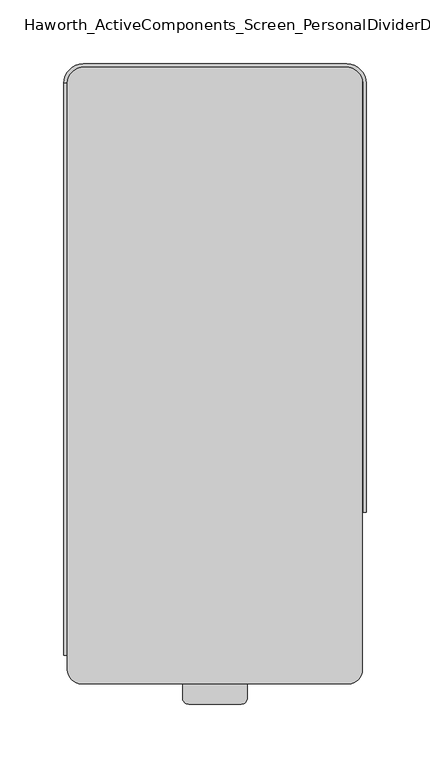
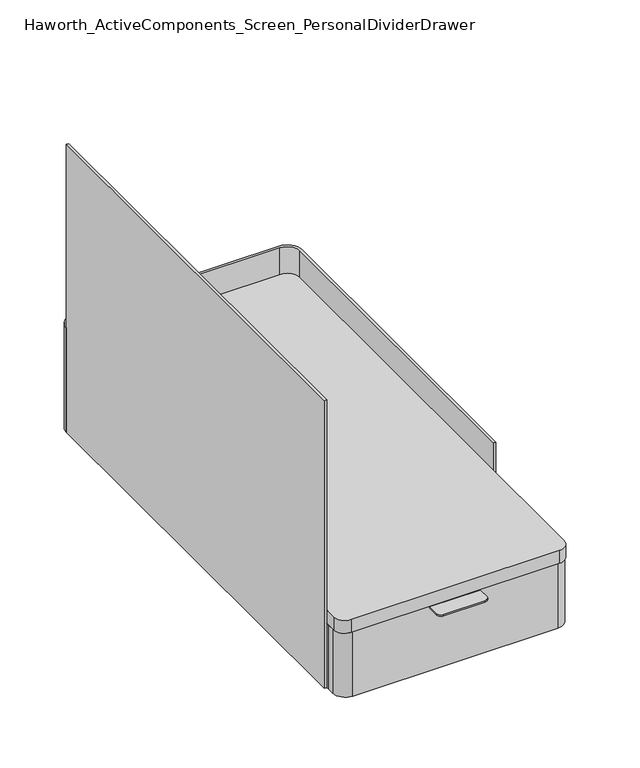
"""IFC4 building model written with IfcOpenShell, lengths in millimetres: furniture geometry, Haworth_ActiveComponents_Screen_PersonalDividerDrawer."""

import ifcopenshell
import ifcopenshell.guid

model = None  # the IFC model being written
_history = None  # IfcOwnerHistory: only IFC2X3 demands one
_inside = {}  # id of a spatial element -> (the spatial element, [elements in it])
_under = {}  # id of a project, library or spatial element -> (it, [spatial elements below it])
_declared = {}  # id of a project -> (the project, [libraries it declares])
_typed = {}  # id of a type object -> (the type object, [elements of that type])
_made_of = {}  # id of a material, layer set ... -> (it, [elements and type objects made of it])


def new_model(schema):
    """Start an empty IFC model of exactly this schema.

    Asked for "IFC4X3", IfcOpenShell would pick the latest addendum, in which some entities
    have other attributes; the version numbers below select the first issue.
    IFC2X3 requires an IfcOwnerHistory on every rooted entity: one is made here for all.
    """
    global model, _history
    if schema == "IFC4X3":
        model = ifcopenshell.file(schema_version=(4, 3, 0, 0))
    else:
        model = ifcopenshell.file(schema=schema)
    _inside.clear()
    _under.clear()
    _declared.clear()
    _typed.clear()
    _made_of.clear()
    _history = None
    if model.schema == "IFC2X3":
        org = make("IfcOrganization", Name="unknown")
        user = make(
            "IfcPersonAndOrganization",
            ThePerson=make("IfcPerson", FamilyName="unknown"),
            TheOrganization=org,
        )
        app = make(
            "IfcApplication",
            ApplicationDeveloper=org,
            Version="unknown",
            ApplicationFullName="unknown",
            ApplicationIdentifier="unknown",
        )
        _history = make(
            "IfcOwnerHistory",
            OwningUser=user,
            OwningApplication=app,
            ChangeAction="ADDED",
            CreationDate=0,
        )
    return model


def make(cls, **values):
    """One entity of the class cls with the attributes given. An attribute that is None is left unset."""
    return model.create_entity(
        cls, **{name: value for name, value in values.items() if value is not None}
    )


def rooted(cls, **values):
    """An entity with a GlobalId (a new one), such as an element, a storey or a relation."""
    return make(cls, GlobalId=ifcopenshell.guid.new(), OwnerHistory=_history, **values)


def si_unit(unit_type, name, prefix=None):
    """IfcSIUnit, for example si_unit("LENGTHUNIT", "METRE", prefix="MILLI")."""
    return make("IfcSIUnit", UnitType=unit_type, Prefix=prefix, Name=name)


def assignment(units):
    """IfcUnitAssignment: the units of a project."""
    return None if units is None else make("IfcUnitAssignment", Units=units)


def point(xyz):
    """IfcCartesianPoint."""
    return None if xyz is None else make("IfcCartesianPoint", Coordinates=xyz)


def direction(xyz):
    """IfcDirection."""
    return None if xyz is None else make("IfcDirection", DirectionRatios=xyz)


def frame(location, z_axis=None, x_axis=None):
    """IfcAxis2Placement3D, a coordinate frame: its origin and axes. An axis left out is left unset."""
    return make(
        "IfcAxis2Placement3D",
        Location=point(location),
        Axis=direction(z_axis),
        RefDirection=direction(x_axis),
    )


def frame_2d(location, x_axis=None):
    """IfcAxis2Placement2D, a coordinate frame in the plane: its origin and x axis."""
    return make(
        "IfcAxis2Placement2D", Location=point(location), RefDirection=direction(x_axis)
    )


def origin():
    """The frame at (0, 0, 0) with its axes left unset."""
    return frame((0.0, 0.0, 0.0))


def place(relative_to, where):
    """IfcLocalPlacement: puts the frame where relative to a parent placement (None: the world)."""
    return make(
        "IfcLocalPlacement", PlacementRelTo=relative_to, RelativePlacement=where
    )


def context(
    kind, dimensions, precision=None, world=None, true_north=None, identifier=None
):
    """IfcGeometricRepresentationContext, for example the 3D "Model" context."""
    return make(
        "IfcGeometricRepresentationContext",
        ContextIdentifier=identifier,
        ContextType=kind,
        CoordinateSpaceDimension=dimensions,
        Precision=precision,
        WorldCoordinateSystem=world,
        TrueNorth=true_north,
    )


def project(units=None, contexts=None):
    """IfcProject with its units and contexts."""
    return rooted(
        "IfcProject",
        Name="project",
        RepresentationContexts=contexts,
        UnitsInContext=assignment(units),
    )


def spatial(cls, under=None, at=None, **own):
    """A site, building, storey or space (cls), placed at a placement, below another one or the project."""
    s = rooted(cls, ObjectPlacement=at, **own)
    if under is not None:
        _under.setdefault(under.id(), (under, []))[1].append(s)
    return s


def polyline(points):
    """IfcPolyline through the points."""
    return make("IfcPolyline", Points=[point(p) for p in points])


def circle_curve(where, radius):
    """IfcCircle in the frame where."""
    return make("IfcCircle", Position=where, Radius=radius)


def trimmed(basis, trim1, trim2, sense, master):
    """IfcTrimmedCurve: the piece of a basis curve between two trims."""
    return make(
        "IfcTrimmedCurve",
        BasisCurve=basis,
        Trim1=trim1,
        Trim2=trim2,
        SenseAgreement=sense,
        MasterRepresentation=master,
    )


def segment(curve, same_sense, transition):
    """IfcCompositeCurveSegment."""
    return make(
        "IfcCompositeCurveSegment",
        Transition=transition,
        SameSense=same_sense,
        ParentCurve=curve,
    )


def composite_curve(segments, self_intersect=None):
    """IfcCompositeCurve: segments joined end to end."""
    return make("IfcCompositeCurve", Segments=segments, SelfIntersect=self_intersect)


def outline(outer, holes=None, kind="AREA"):
    """IfcArbitraryClosedProfileDef: a profile drawn as a closed curve; with holes, ...WithVoids."""
    if holes is None:
        return make("IfcArbitraryClosedProfileDef", ProfileType=kind, OuterCurve=outer)
    return make(
        "IfcArbitraryProfileDefWithVoids",
        ProfileType=kind,
        OuterCurve=outer,
        InnerCurves=holes,
    )


def extrude(swept, where, along, depth):
    """IfcExtrudedAreaSolid: the profile swept, set in the frame where, extruded along a direction by depth."""
    return make(
        "IfcExtrudedAreaSolid",
        SweptArea=swept,
        Position=where,
        ExtrudedDirection=direction(along),
        Depth=depth,
    )


def shape(context_of_items, identifier, shape_type, items):
    """IfcShapeRepresentation: the items that make up one representation, for example the "Body"."""
    return make(
        "IfcShapeRepresentation",
        ContextOfItems=context_of_items,
        RepresentationIdentifier=identifier,
        RepresentationType=shape_type,
        Items=items,
    )


def source(mapping_origin, context_of_items, identifier, shape_type, items):
    """IfcRepresentationMap: a shape defined once, which mapped items show again and again."""
    return make(
        "IfcRepresentationMap",
        MappingOrigin=mapping_origin,
        MappedRepresentation=shape(context_of_items, identifier, shape_type, items),
    )


def transform(
    local_origin,
    x_axis=None,
    y_axis=None,
    z_axis=None,
    scale=None,
    scale2=None,
    scale3=None,
    uniform=True,
):
    """IfcCartesianTransformationOperator3D, or its non-uniform kind. x_axis, y_axis, z_axis: its Axis1, 2, 3."""
    if uniform:
        return make(
            "IfcCartesianTransformationOperator3D",
            Axis1=direction(x_axis),
            Axis2=direction(y_axis),
            LocalOrigin=point(local_origin),
            Scale=scale,
            Axis3=direction(z_axis),
        )
    return make(
        "IfcCartesianTransformationOperator3DnonUniform",
        Axis1=direction(x_axis),
        Axis2=direction(y_axis),
        LocalOrigin=point(local_origin),
        Scale=scale,
        Axis3=direction(z_axis),
        Scale2=scale2,
        Scale3=scale3,
    )


def mapped(mapping_source, mapping_target):
    """IfcMappedItem: shows the shape of a source again, moved by a transform."""
    return make(
        "IfcMappedItem", MappingSource=mapping_source, MappingTarget=mapping_target
    )


def made_of(thing, what):
    """Note that an element or type object is made of a material, layer set ...; save() writes the relation."""
    if what is not None:
        _made_of.setdefault(what.id(), (what, []))[1].append(thing)
    return thing


def element(
    cls,
    number,
    at=None,
    inside=None,
    cuts=None,
    type_object=None,
    material=None,
    context=None,
    identifier="Body",
    shape_type=None,
    held_by="IfcProductDefinitionShape",
    body=None,
    shapes=None,
    **own,
):
    """One element of the class cls, such as IfcWall. Its Tag is "e" and its number.

    at: its placement. inside: the storey or other place that contains it. cuts: it is an
    opening in that element (IfcRelVoidsElement). A single representation is given by context,
    identifier, shape_type and body (its items); several are given by shapes. held_by: the class
    of the entity that holds the representations. save() writes the other relations.
    """
    e = rooted(cls, Tag="e%d" % number, ObjectPlacement=at, **own)
    if body is not None:
        shapes = [shape(context, identifier, shape_type, body)]
    if shapes is not None:
        e.Representation = make(held_by, Representations=shapes)
    if inside is not None:
        _inside.setdefault(inside.id(), (inside, []))[1].append(e)
    if cuts is not None:
        rooted(
            "IfcRelVoidsElement", RelatingBuildingElement=cuts, RelatedOpeningElement=e
        )
    if type_object is not None:
        _typed.setdefault(type_object.id(), (type_object, []))[1].append(e)
    return made_of(e, material)


def aggregate(whole, parts):
    """IfcRelAggregates: a whole, such as a stair, and the parts it consists of."""
    return rooted("IfcRelAggregates", RelatingObject=whole, RelatedObjects=parts)


def save(model, path):
    """Write the relations noted so far, then the file.

    IfcRelAggregates (storeys below a building ...), IfcRelContainedInSpatialStructure (elements
    in a storey), IfcRelDefinesByType, IfcRelAssociatesMaterial and IfcRelDeclares: one each for
    every whole, place, type object, material and project.
    """
    for whole, parts in _under.values():
        aggregate(whole, parts)
    for where, things in _inside.values():
        rooted(
            "IfcRelContainedInSpatialStructure",
            RelatedElements=things,
            RelatingStructure=where,
        )
    for kind, things in _typed.values():
        rooted("IfcRelDefinesByType", RelatedObjects=things, RelatingType=kind)
    for what, things in _made_of.values():
        rooted("IfcRelAssociatesMaterial", RelatedObjects=things, RelatingMaterial=what)
    for by, libraries in _declared.values():
        rooted("IfcRelDeclares", RelatingContext=by, RelatedDefinitions=libraries)
    model.write(path)


def haworth_activecomponents_screen_personaldividerdrawer_72f41f02(model_context):
    return source(origin(), model_context, "Body", "SweptSolid", [
        extrude(outline(composite_curve([segment(trimmed(circle_curve(frame_2d((-1013.2735768, -1123.7826933)), 11.1125), [point((-1013.2735768, -1112.6701933))], [point((-1002.1610768, -1123.7826933))], False, "CARTESIAN"), True, "CONTINUOUS"), segment(polyline([(-1002.1610768, -1123.7826933), (-1002.1610768, -1584.1576816)]), True, "CONTINUOUS"), segment(trimmed(circle_curve(frame_2d((-1013.2735768, -1584.1576816)), 11.1125), [point((-1002.1610768, -1584.1576816))], [point((-1013.2735768, -1595.2701816))], False, "CARTESIAN"), True, "CONTINUOUS"), segment(polyline([(-1013.2735768, -1595.2701816), (-1221.8202851, -1595.2701816)]), True, "CONTINUOUS"), segment(trimmed(circle_curve(frame_2d((-1221.8202851, -1584.1576816)), 11.1125), [point((-1221.8202851, -1595.2701816))], [point((-1232.9327851, -1584.1576816))], False, "CARTESIAN"), True, "CONTINUOUS"), segment(polyline([(-1232.9327851, -1584.1576816), (-1232.9327851, -1123.7826933)]), True, "CONTINUOUS"), segment(trimmed(circle_curve(frame_2d((-1221.8202851, -1123.7826933)), 11.1125), [point((-1232.9327851, -1123.7826933))], [point((-1221.8202851, -1112.6701933))], False, "CARTESIAN"), True, "CONTINUOUS"), segment(polyline([(-1221.8202851, -1112.6701933), (-1013.2735768, -1112.6701933)]), True, "CONTINUOUS")], self_intersect=False)), frame((0.0, 0.0, 806.9072153), z_axis=(0.0, 0.0, 1.0), x_axis=(1.0, 0.0, 0.0)), (0.0, 0.0, 1.0), 13.6905888),
        extrude(outline(composite_curve([segment(polyline([(-1092.1405636, -1595.2701816), (-1092.1405636, -1606.3699764)]), True, "CONTINUOUS"), segment(trimmed(circle_curve(frame_2d((-1096.9157809, -1606.3699764)), 4.7752172), [point((-1092.1405636, -1606.3699764))], [point((-1096.9157809, -1611.1451937))], False, "CARTESIAN"), True, "CONTINUOUS"), segment(polyline([(-1096.9157809, -1611.1451937), (-1138.1780651, -1611.1451937)]), True, "CONTINUOUS"), segment(trimmed(circle_curve(frame_2d((-1138.1780651, -1606.3699764)), 4.7752172), [point((-1138.1780651, -1611.1451937))], [point((-1142.9532824, -1606.3699764))], False, "CARTESIAN"), True, "CONTINUOUS"), segment(polyline([(-1142.9532824, -1606.3699764), (-1142.9532824, -1595.2701816), (-1092.1405636, -1595.2701816)]), True, "CONTINUOUS")], self_intersect=False)), frame((0.0, 0.0, 804.7236277), z_axis=(0.0, 0.0, 1.0), x_axis=(1.0, 0.0, 0.0)), (0.0, 0.0, 1.0), 1.5993937),
        extrude(outline(composite_curve([segment(trimmed(circle_curve(frame_2d((-1014.8737781, -1125.3701933)), 11.1125), [point((-1014.8737781, -1114.2576933))], [point((-1003.7612781, -1125.3701933))], False, "CARTESIAN"), True, "CONTINUOUS"), segment(polyline([(-1003.7612781, -1125.3701933), (-1003.7612781, -1580.9826816)]), True, "CONTINUOUS"), segment(trimmed(circle_curve(frame_2d((-1014.8737781, -1580.9826816)), 11.1125), [point((-1003.7612781, -1580.9826816))], [point((-1014.8737781, -1592.0951816))], False, "CARTESIAN"), True, "CONTINUOUS"), segment(polyline([(-1014.8737781, -1592.0951816), (-1220.2200838, -1592.0951816)]), True, "CONTINUOUS"), segment(trimmed(circle_curve(frame_2d((-1220.2200838, -1580.9826816)), 11.1125), [point((-1220.2200838, -1592.0951816))], [point((-1231.3325838, -1580.9826816))], False, "CARTESIAN"), True, "CONTINUOUS"), segment(polyline([(-1231.3325838, -1580.9826816), (-1231.3325838, -1125.3701933)]), True, "CONTINUOUS"), segment(trimmed(circle_curve(frame_2d((-1220.2200838, -1125.3701933)), 11.1125), [point((-1231.3325838, -1125.3701933))], [point((-1220.2200838, -1114.2576933))], False, "CARTESIAN"), True, "CONTINUOUS"), segment(polyline([(-1220.2200838, -1114.2576933), (-1014.8737781, -1114.2576933)]), True, "CONTINUOUS")], self_intersect=False)), frame((0.0, 0.0, 738.8097731), z_axis=(0.0, 0.0, 1.0), x_axis=(1.0, 0.0, 0.0)), (0.0, 0.0, 1.0), 4.0131998),
        extrude(outline(composite_curve([segment(polyline([(-1014.8610647, -1595.2701816), (-1220.2327973, -1595.2701816)]), True, "CONTINUOUS"), segment(trimmed(circle_curve(frame_2d((-1220.2327973, -1582.5701937)), 12.6999879), [point((-1220.2327973, -1595.2701816))], [point((-1232.9327851, -1582.5701937))], False, "CARTESIAN"), True, "CONTINUOUS"), segment(polyline([(-1232.9327851, -1582.5701937), (-1232.9327851, -1576.2201816), (-1231.3452851, -1576.2201816), (-1231.3452851, -1582.5701937)]), True, "CONTINUOUS"), segment(trimmed(circle_curve(frame_2d((-1220.2327973, -1582.5701937)), 11.1124879), [point((-1231.3452851, -1582.5701937))], [point((-1220.2327973, -1593.6826816))], True, "CARTESIAN"), True, "CONTINUOUS"), segment(polyline([(-1220.2327973, -1593.6826816), (-1014.8610647, -1593.6826816)]), True, "CONTINUOUS"), segment(trimmed(circle_curve(frame_2d((-1014.8610647, -1582.5701937)), 11.1124879), [point((-1014.8610647, -1593.6826816))], [point((-1003.7485768, -1582.5701937))], True, "CARTESIAN"), True, "CONTINUOUS"), segment(polyline([(-1003.7485768, -1582.5701937), (-1003.7485768, -1576.2201816), (-1002.1610768, -1576.2201816), (-1002.1610768, -1582.5701937)]), True, "CONTINUOUS"), segment(trimmed(circle_curve(frame_2d((-1014.8610647, -1582.5701937)), 12.6999879), [point((-1002.1610768, -1582.5701937))], [point((-1014.8610647, -1595.2701816))], False, "CARTESIAN"), True, "CONTINUOUS")], self_intersect=False)), frame((0.0, 0.0, 738.8097731), z_axis=(0.0, 0.0, 1.0), x_axis=(1.0, 0.0, 0.0)), (0.0, 0.0, 1.0), 68.0974422),
        extrude(outline(composite_curve([segment(trimmed(circle_curve(frame_2d((-1220.2327851, -1125.3701933)), 12.7), [point((-1232.9327851, -1125.3701933))], [point((-1220.2327851, -1112.6701933))], False, "CARTESIAN"), True, "CONTINUOUS"), segment(polyline([(-1220.2327851, -1112.6701933), (-1014.8737781, -1112.6701933)]), True, "CONTINUOUS"), segment(trimmed(circle_curve(frame_2d((-1014.8737781, -1125.3701933)), 12.7), [point((-1014.8737781, -1112.6701933))], [point((-1002.1737781, -1125.3701933))], False, "CARTESIAN"), True, "CONTINUOUS"), segment(polyline([(-1002.1737781, -1125.3701933), (-1002.1737781, -1576.2201816), (-1003.7612781, -1576.2201816), (-1003.7612781, -1125.3701933)]), True, "CONTINUOUS"), segment(trimmed(circle_curve(frame_2d((-1014.8737781, -1125.3701933)), 11.1125), [point((-1003.7612781, -1125.3701933))], [point((-1014.8737781, -1114.2576933))], True, "CARTESIAN"), True, "CONTINUOUS"), segment(polyline([(-1014.8737781, -1114.2576933), (-1220.2200838, -1114.2576933)]), True, "CONTINUOUS"), segment(trimmed(circle_curve(frame_2d((-1220.2200838, -1125.3701933)), 11.1125), [point((-1220.2200838, -1114.2576933))], [point((-1231.3325838, -1125.3701933))], True, "CARTESIAN"), True, "CONTINUOUS"), segment(polyline([(-1231.3325838, -1125.3701933), (-1231.3325838, -1576.2201816), (-1232.9327851, -1576.2201816), (-1232.9327851, -1125.3701933)]), True, "CONTINUOUS")], self_intersect=False)), frame((0.0, 0.0, 738.8097731), z_axis=(0.0, 0.0, 1.0), x_axis=(1.0, 0.0, 0.0)), (0.0, 0.0, 1.0), 68.0974422),
        extrude(outline(composite_curve([segment(trimmed(circle_curve(frame_2d((-1014.3657847, -1125.3701971)), 14.9860039), [point((-1014.3657847, -1110.3841932))], [point((-999.3797808, -1125.3701971))], False, "CARTESIAN"), True, "CONTINUOUS"), segment(polyline([(-999.3797808, -1125.3701971), (-999.3797808, -1460.9041825), (-1001.6657786, -1460.9041825), (-1001.6657786, -1125.3701937)]), True, "CONTINUOUS"), segment(trimmed(circle_curve(frame_2d((-1014.8737842, -1125.8883591)), 13.2181658), [point((-1001.6657786, -1125.3701937))], [point((-1014.8737842, -1112.6701933))], True, "CARTESIAN"), True, "CONTINUOUS"), segment(polyline([(-1014.8737842, -1112.6701933), (-1220.2327791, -1112.6701933)]), True, "CONTINUOUS"), segment(trimmed(circle_curve(frame_2d((-1220.2327791, -1125.8883591)), 13.2181658), [point((-1220.2327791, -1112.6701933))], [point((-1233.4407847, -1125.3701937))], True, "CARTESIAN"), True, "CONTINUOUS"), segment(polyline([(-1233.4407847, -1125.3701937), (-1235.7267791, -1125.3701937)]), True, "CONTINUOUS"), segment(trimmed(circle_curve(frame_2d((-1220.7407786, -1125.3701937)), 14.9860005), [point((-1235.7267791, -1125.3701937))], [point((-1220.7407786, -1110.3841932))], False, "CARTESIAN"), True, "CONTINUOUS"), segment(polyline([(-1220.7407786, -1110.3841932), (-1014.3657847, -1110.3841932)]), True, "CONTINUOUS")], self_intersect=False)), frame((0.0, 0.0, 738.8097731), z_axis=(0.0, 0.0, 1.0), x_axis=(1.0, 0.0, 0.0)), (0.0, 0.0, 1.0), 110.3122347),
        extrude(outline(polyline([(-1233.4407847, -1125.3701937), (-1233.4407847, -1572.9182029), (-1235.7267825, -1572.9182029), (-1235.7267825, -1125.3701937), (-1233.4407847, -1125.3701937)])), frame((0.0, 0.0, 738.8097731), z_axis=(0.0, 0.0, 1.0), x_axis=(1.0, 0.0, 0.0)), (0.0, 0.0, 1.0), 304.8),
    ])


if __name__ == "__main__":
    model = new_model("IFC4")
    model_context = context("Model", 3, world=origin())
    ifc_project = project(units=[si_unit("LENGTHUNIT", "METRE", prefix="MILLI")], contexts=[model_context])
    site = spatial("IfcSite", under=ifc_project)
    building = spatial("IfcBuilding", under=site)
    placement = place(None, origin())
    haworth_activecomponents_screen_personaldividerdrawer_shape = haworth_activecomponents_screen_personaldividerdrawer_72f41f02(model_context)
    element("IfcFurniture", 1, ObjectType="Haworth_ActiveComponents_Screen_PersonalDividerDrawer", at=placement, inside=building, context=model_context, shape_type="MappedRepresentation", body=[
        mapped(haworth_activecomponents_screen_personaldividerdrawer_shape, transform((0.0, 0.0, 0.0), x_axis=(1.0, 0.0, 0.0), y_axis=(0.0, 1.0, 0.0), z_axis=(0.0, 0.0, 1.0))),
    ])
    save(model, "model.ifc")
